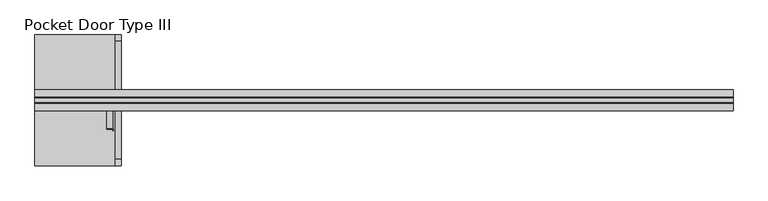
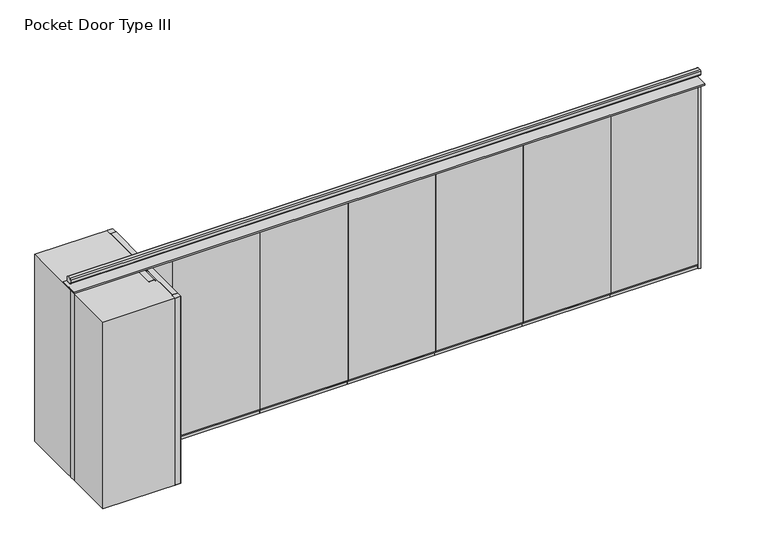
"""IFC4 building model written with IfcOpenShell, lengths in millimetres: proxy geometry, Pocket Door Type III."""

from ifc_helpers import new_model, si_unit, point, frame, frame_2d, origin, origin_with_axes, place, context, project, spatial, polyline, circle_curve, trimmed, segment, composite_curve, outline, extrude, source, transform, mapped, element, save


def pocket_door_type_iii_bab42562(model_context):
    return source(origin(), model_context, "Body", "SweptSolid", [
        extrude(outline(polyline([(19.05, 0.0), (-19.05, 0.0), (-19.05, 50.8), (-38.1, 50.8), (-38.1, 66.675), (38.1, 66.675), (38.1, 50.8), (19.05, 50.8), (19.05, 0.0)])), frame((4790.789264, 0.0, 0.0), z_axis=(1.0, 0.0, 0.0), x_axis=(0.0, 1.0, 0.0)), (0.0, 0.0, 1.0), 1207.4071429),
        extrude(outline(polyline([(5998.1964069, -38.1), (4790.789264, -38.1), (4790.789264, 38.1), (5998.1964069, 38.1), (5998.1964069, -38.1)])), frame((0.0, 0.0, 2679.7), z_axis=(0.0, 0.0, 1.0), x_axis=(1.0, 0.0, 0.0)), (0.0, 0.0, 1.0), 44.45),
        extrude(outline(polyline([(5997.8431881, 38.1), (5997.8431881, -38.1), (4791.043264, -38.1), (4791.043264, 38.1), (5997.8431881, 38.1)])), frame((0.0, 0.0, 66.675), z_axis=(0.0, 0.0, 1.0), x_axis=(1.0, 0.0, 0.0)), (0.0, 0.0, 1.0), 2613.025),
        extrude(outline(polyline([(19.05, 0.0), (-19.05, 0.0), (-19.05, 50.8), (-38.1, 50.8), (-38.1, 66.675), (38.1, 66.675), (38.1, 50.8), (19.05, 50.8), (19.05, 0.0)])), frame((3583.3821211, 0.0, 0.0), z_axis=(1.0, 0.0, 0.0), x_axis=(0.0, 1.0, 0.0)), (0.0, 0.0, 1.0), 1207.4071429),
        extrude(outline(polyline([(4790.789264, -38.1), (3583.3821211, -38.1), (3583.3821211, 38.1), (4790.789264, 38.1), (4790.789264, -38.1)])), frame((0.0, 0.0, 2679.7), z_axis=(0.0, 0.0, 1.0), x_axis=(1.0, 0.0, 0.0)), (0.0, 0.0, 1.0), 44.45),
        extrude(outline(polyline([(4790.4360452, 38.1), (4790.4360452, -38.1), (3583.6361211, -38.1), (3583.6361211, 38.1), (4790.4360452, 38.1)])), frame((0.0, 0.0, 66.675), z_axis=(0.0, 0.0, 1.0), x_axis=(1.0, 0.0, 0.0)), (0.0, 0.0, 1.0), 2613.025),
        extrude(outline(polyline([(19.05, 0.0), (-19.05, 0.0), (-19.05, 50.8), (-38.1, 50.8), (-38.1, 66.675), (38.1, 66.675), (38.1, 50.8), (19.05, 50.8), (19.05, 0.0)])), frame((2375.9749783, 0.0, 0.0), z_axis=(1.0, 0.0, 0.0), x_axis=(0.0, 1.0, 0.0)), (0.0, 0.0, 1.0), 1207.4071429),
        extrude(outline(polyline([(3583.3821211, -38.1), (2375.9749783, -38.1), (2375.9749783, 38.1), (3583.3821211, 38.1), (3583.3821211, -38.1)])), frame((0.0, 0.0, 2679.7), z_axis=(0.0, 0.0, 1.0), x_axis=(1.0, 0.0, 0.0)), (0.0, 0.0, 1.0), 44.45),
        extrude(outline(polyline([(3583.0289024, 38.1), (3583.0289024, -38.1), (2376.2289783, -38.1), (2376.2289783, 38.1), (3583.0289024, 38.1)])), frame((0.0, 0.0, 66.675), z_axis=(0.0, 0.0, 1.0), x_axis=(1.0, 0.0, 0.0)), (0.0, 0.0, 1.0), 2613.025),
        extrude(outline(polyline([(19.05, 0.0), (-19.05, 0.0), (-19.05, 50.8), (-38.1, 50.8), (-38.1, 66.675), (38.1, 66.675), (38.1, 50.8), (19.05, 50.8), (19.05, 0.0)])), frame((1168.5678354, 0.0, 0.0), z_axis=(1.0, 0.0, 0.0), x_axis=(0.0, 1.0, 0.0)), (0.0, 0.0, 1.0), 1207.4071429),
        extrude(outline(polyline([(2375.9749783, -38.1), (1168.5678354, -38.1), (1168.5678354, 38.1), (2375.9749783, 38.1), (2375.9749783, -38.1)])), frame((0.0, 0.0, 2679.7), z_axis=(0.0, 0.0, 1.0), x_axis=(1.0, 0.0, 0.0)), (0.0, 0.0, 1.0), 44.45),
        extrude(outline(polyline([(2375.6217595, 38.1), (2375.6217595, -38.1), (1168.8218354, -38.1), (1168.8218354, 38.1), (2375.6217595, 38.1)])), frame((0.0, 0.0, 66.675), z_axis=(0.0, 0.0, 1.0), x_axis=(1.0, 0.0, 0.0)), (0.0, 0.0, 1.0), 2613.025),
        extrude(outline(polyline([(19.05, 0.0), (-19.05, 0.0), (-19.05, 50.8), (-38.1, 50.8), (-38.1, 66.675), (38.1, 66.675), (38.1, 50.8), (19.05, 50.8), (19.05, 0.0)])), frame((-38.8393074, 0.0, 0.0), z_axis=(1.0, 0.0, 0.0), x_axis=(0.0, 1.0, 0.0)), (0.0, 0.0, 1.0), 1207.4071429),
        extrude(outline(polyline([(1168.5678354, -38.1), (-38.8393074, -38.1), (-38.8393074, 38.1), (1168.5678354, 38.1), (1168.5678354, -38.1)])), frame((0.0, 0.0, 2679.7), z_axis=(0.0, 0.0, 1.0), x_axis=(1.0, 0.0, 0.0)), (0.0, 0.0, 1.0), 44.45),
        extrude(outline(polyline([(1168.2146167, 38.1), (1168.2146167, -38.1), (-38.5853074, -38.1), (-38.5853074, 38.1), (1168.2146167, 38.1)])), frame((0.0, 0.0, 66.675), z_axis=(0.0, 0.0, 1.0), x_axis=(1.0, 0.0, 0.0)), (0.0, 0.0, 1.0), 2613.025),
        extrude(outline(polyline([(-1220.8464503, -120.65), (-1449.4464503, -120.65), (-1449.4464503, -44.45), (-1220.8464503, -44.45), (-1220.8464503, -120.65)])), origin_with_axes(), (0.0, 0.0, 1.0), 2724.15),
        extrude(outline(composite_curve([segment(polyline([(-376.2964503, 734.2667931), (-376.2964503, 129.3332069)]), True, "CONTINUOUS"), segment(trimmed(circle_curve(frame_2d((-378.6296571, 129.3332069)), 2.3332069), [point((-376.2964503, 129.3332069))], [point((-378.6296571, 127.0))], False, "CARTESIAN"), True, "CONTINUOUS"), segment(polyline([(-378.6296571, 127.0), (-450.1632434, 127.0)]), True, "CONTINUOUS"), segment(trimmed(circle_curve(frame_2d((-450.1632434, 129.3332069)), 2.3332069), [point((-450.1632434, 127.0))], [point((-452.4964503, 129.3332069))], False, "CARTESIAN"), True, "CONTINUOUS"), segment(polyline([(-452.4964503, 129.3332069), (-452.4964503, 734.2667931)]), True, "CONTINUOUS"), segment(trimmed(circle_curve(frame_2d((-450.1632434, 734.2667931)), 2.3332069), [point((-452.4964503, 734.2667931))], [point((-450.1632434, 736.6))], False, "CARTESIAN"), True, "CONTINUOUS"), segment(polyline([(-450.1632434, 736.6), (-378.6296571, 736.6)]), True, "CONTINUOUS"), segment(trimmed(circle_curve(frame_2d((-378.6296571, 734.2667931)), 2.3332069), [point((-378.6296571, 736.6))], [point((-376.2964503, 734.2667931))], False, "CARTESIAN"), True, "CONTINUOUS")], self_intersect=False)), origin_with_axes(), (0.0, 0.0, 1.0), 2724.15),
        extrude(outline(polyline([(-477.8964503, -358.775), (-554.0964503, -358.775), (-554.0964503, -355.6), (-474.7214503, -355.6), (-474.7214503, -382.5875), (-477.8964503, -382.5875), (-477.8964503, -358.775)])), origin_with_axes(), (0.0, 0.0, 1.0), 2724.15),
        extrude(outline(composite_curve([segment(polyline([(-554.0964503, -355.6), (-554.0964503, -129.3332069)]), True, "CONTINUOUS"), segment(trimmed(circle_curve(frame_2d((-551.7632434, -129.3332069)), 2.3332069), [point((-554.0964503, -129.3332069))], [point((-551.7632434, -127.0))], False, "CARTESIAN"), True, "CONTINUOUS"), segment(polyline([(-551.7632434, -127.0), (-480.2296571, -127.0)]), True, "CONTINUOUS"), segment(trimmed(circle_curve(frame_2d((-480.2296571, -129.3332069)), 2.3332069), [point((-480.2296571, -127.0))], [point((-477.8964503, -129.3332069))], False, "CARTESIAN"), True, "CONTINUOUS"), segment(polyline([(-477.8964503, -129.3332069), (-477.8964503, -353.2667931)]), True, "CONTINUOUS"), segment(trimmed(circle_curve(frame_2d((-480.2296571, -353.2667931)), 2.3332069), [point((-477.8964503, -353.2667931))], [point((-480.2296571, -355.6))], False, "CARTESIAN"), True, "CONTINUOUS"), segment(polyline([(-480.2296571, -355.6), (-554.0964503, -355.6)]), True, "CONTINUOUS")], self_intersect=False)), origin_with_axes(), (0.0, 0.0, 1.0), 2724.15),
        extrude(outline(polyline([(-376.2964503, 123.825), (-452.4964503, 123.825), (-452.4964503, 127.0), (-373.1214503, 127.0), (-373.1214503, 101.6), (-376.2964503, 101.6), (-376.2964503, 123.825)])), origin_with_axes(), (0.0, 0.0, 1.0), 2724.15),
        extrude(outline(composite_curve([segment(polyline([(-376.2964503, 810.4667931), (-376.2964503, 738.9332069)]), True, "CONTINUOUS"), segment(trimmed(circle_curve(frame_2d((-378.6296571, 738.9332069)), 2.3332069), [point((-376.2964503, 738.9332069))], [point((-378.6296571, 736.6))], False, "CARTESIAN"), True, "CONTINUOUS"), segment(polyline([(-378.6296571, 736.6), (-450.1632434, 736.6)]), True, "CONTINUOUS"), segment(trimmed(circle_curve(frame_2d((-450.1632434, 738.9332069)), 2.3332069), [point((-450.1632434, 736.6))], [point((-452.4964503, 738.9332069))], False, "CARTESIAN"), True, "CONTINUOUS"), segment(polyline([(-452.4964503, 738.9332069), (-452.4964503, 810.4667931)]), True, "CONTINUOUS"), segment(trimmed(circle_curve(frame_2d((-450.1632434, 810.4667931)), 2.3332069), [point((-452.4964503, 810.4667931))], [point((-450.1632434, 812.8))], False, "CARTESIAN"), True, "CONTINUOUS"), segment(polyline([(-450.1632434, 812.8), (-378.6296571, 812.8)]), True, "CONTINUOUS"), segment(trimmed(circle_curve(frame_2d((-378.6296571, 810.4667931)), 2.3332069), [point((-378.6296571, 812.8))], [point((-376.2964503, 810.4667931))], False, "CARTESIAN"), True, "CONTINUOUS")], self_intersect=False)), origin_with_axes(), (0.0, 0.0, 1.0), 2724.15),
        extrude(outline(composite_curve([segment(polyline([(-376.2964503, -738.9332069), (-376.2964503, -810.4667931)]), True, "CONTINUOUS"), segment(trimmed(circle_curve(frame_2d((-378.6296571, -810.4667931)), 2.3332069), [point((-376.2964503, -810.4667931))], [point((-378.6296571, -812.8))], False, "CARTESIAN"), True, "CONTINUOUS"), segment(polyline([(-378.6296571, -812.8), (-450.1632434, -812.8)]), True, "CONTINUOUS"), segment(trimmed(circle_curve(frame_2d((-450.1632434, -810.4667931)), 2.3332069), [point((-450.1632434, -812.8))], [point((-452.4964503, -810.4667931))], False, "CARTESIAN"), True, "CONTINUOUS"), segment(polyline([(-452.4964503, -810.4667931), (-452.4964503, -738.9332069)]), True, "CONTINUOUS"), segment(trimmed(circle_curve(frame_2d((-450.1632434, -738.9332069)), 2.3332069), [point((-452.4964503, -738.9332069))], [point((-450.1632434, -736.6))], False, "CARTESIAN"), True, "CONTINUOUS"), segment(polyline([(-450.1632434, -736.6), (-378.6296571, -736.6)]), True, "CONTINUOUS"), segment(trimmed(circle_curve(frame_2d((-378.6296571, -738.9332069)), 2.3332069), [point((-378.6296571, -736.6))], [point((-376.2964503, -738.9332069))], False, "CARTESIAN"), True, "CONTINUOUS")], self_intersect=False)), origin_with_axes(), (0.0, 0.0, 1.0), 2724.15),
        extrude(outline(composite_curve([segment(polyline([(-376.2964503, -129.3332069), (-376.2964503, -734.2667931)]), True, "CONTINUOUS"), segment(trimmed(circle_curve(frame_2d((-378.6296571, -734.2667931)), 2.3332069), [point((-376.2964503, -734.2667931))], [point((-378.6296571, -736.6))], False, "CARTESIAN"), True, "CONTINUOUS"), segment(polyline([(-378.6296571, -736.6), (-450.1632434, -736.6)]), True, "CONTINUOUS"), segment(trimmed(circle_curve(frame_2d((-450.1632434, -734.2667931)), 2.3332069), [point((-450.1632434, -736.6))], [point((-452.4964503, -734.2667931))], False, "CARTESIAN"), True, "CONTINUOUS"), segment(polyline([(-452.4964503, -734.2667931), (-452.4964503, -129.3332069)]), True, "CONTINUOUS"), segment(trimmed(circle_curve(frame_2d((-450.1632434, -129.3332069)), 2.3332069), [point((-452.4964503, -129.3332069))], [point((-450.1632434, -127.0))], False, "CARTESIAN"), True, "CONTINUOUS"), segment(polyline([(-450.1632434, -127.0), (-378.6296571, -127.0)]), True, "CONTINUOUS"), segment(trimmed(circle_curve(frame_2d((-378.6296571, -129.3332069)), 2.3332069), [point((-378.6296571, -127.0))], [point((-376.2964503, -129.3332069))], False, "CARTESIAN"), True, "CONTINUOUS")], self_intersect=False)), origin_with_axes(), (0.0, 0.0, 1.0), 2724.15),
        extrude(outline(polyline([(7237.3535497, -38.1), (7205.6035497, -38.1), (7205.6035497, 38.1), (7237.3535497, 38.1), (7237.3535497, -38.1)])), origin_with_axes(), (0.0, 0.0, 1.0), 2724.15),
        extrude(outline(polyline([(19.05, 0.0), (-19.05, 0.0), (-19.05, 50.8), (-38.1, 50.8), (-38.1, 66.675), (38.1, 66.675), (38.1, 50.8), (19.05, 50.8), (19.05, 0.0)])), frame((5998.1964069, 0.0, 0.0), z_axis=(1.0, 0.0, 0.0), x_axis=(0.0, 1.0, 0.0)), (0.0, 0.0, 1.0), 1207.4071429),
        extrude(outline(polyline([(7205.6035497, -38.1), (5998.1964069, -38.1), (5998.1964069, 38.1), (7205.6035497, 38.1), (7205.6035497, -38.1)])), frame((0.0, 0.0, 2679.7), z_axis=(0.0, 0.0, 1.0), x_axis=(1.0, 0.0, 0.0)), (0.0, 0.0, 1.0), 44.45),
        extrude(outline(polyline([(7205.250331, 38.1), (7205.250331, -38.1), (5998.4504069, -38.1), (5998.4504069, 38.1), (7205.250331, 38.1)])), frame((0.0, 0.0, 66.675), z_axis=(0.0, 0.0, 1.0), x_axis=(1.0, 0.0, 0.0)), (0.0, 0.0, 1.0), 2613.025),
        extrude(outline(polyline([(19.05, 0.0), (-19.05, 0.0), (-19.05, 50.8), (-38.1, 50.8), (-38.1, 66.675), (38.1, 66.675), (38.1, 50.8), (19.05, 50.8), (19.05, 0.0)])), frame((-1246.2464503, 0.0, 0.0), z_axis=(1.0, 0.0, 0.0), x_axis=(0.0, 1.0, 0.0)), (0.0, 0.0, 1.0), 1207.4071429),
        extrude(outline(polyline([(-38.8393074, -38.1), (-1246.2464503, -38.1), (-1246.2464503, 38.1), (-38.8393074, 38.1), (-38.8393074, -38.1)])), frame((0.0, 0.0, 2679.7), z_axis=(0.0, 0.0, 1.0), x_axis=(1.0, 0.0, 0.0)), (0.0, 0.0, 1.0), 44.45),
        extrude(outline(polyline([(-39.1925262, 38.1), (-39.1925262, -38.1), (-1245.9924503, -38.1), (-1245.9924503, 38.1), (-39.1925262, 38.1)])), frame((0.0, 0.0, 66.675), z_axis=(0.0, 0.0, 1.0), x_axis=(1.0, 0.0, 0.0)), (0.0, 0.0, 1.0), 2613.025),
        extrude(outline(polyline([(-376.2964503, 812.8), (-376.2964503, -812.8), (-1449.4464503, -812.8), (-1449.4464503, 812.8), (-376.2964503, 812.8)])), origin_with_axes(), (0.0, 0.0, 1.0), 2724.15),
        extrude(outline(polyline([(7237.3535497, -130.175), (-1449.4464503, -130.175), (-1449.4464503, 130.175), (7237.3535497, 130.175), (7237.3535497, -130.175)])), frame((0.0, 0.0, 2724.15), z_axis=(0.0, 0.0, 1.0), x_axis=(1.0, 0.0, 0.0)), (0.0, 0.0, 1.0), 19.05),
        extrude(outline(composite_curve([segment(trimmed(circle_curve(frame_2d((22.225, 2867.025)), 15.875), [point((22.225, 2882.9))], [point((38.1, 2867.025))], False, "CARTESIAN"), True, "CONTINUOUS"), segment(polyline([(38.1, 2867.025), (38.1, 2822.575)]), True, "CONTINUOUS"), segment(trimmed(circle_curve(frame_2d((22.225, 2822.575)), 15.875), [point((38.1, 2822.575))], [point((22.225, 2806.7))], False, "CARTESIAN"), True, "CONTINUOUS"), segment(polyline([(22.225, 2806.7), (-22.225, 2806.7)]), True, "CONTINUOUS"), segment(trimmed(circle_curve(frame_2d((-22.225, 2822.575)), 15.875), [point((-22.225, 2806.7))], [point((-38.1, 2822.575))], False, "CARTESIAN"), True, "CONTINUOUS"), segment(polyline([(-38.1, 2822.575), (-38.1, 2867.025)]), True, "CONTINUOUS"), segment(trimmed(circle_curve(frame_2d((-22.225, 2867.025)), 15.875), [point((-38.1, 2867.025))], [point((-22.225, 2882.9))], False, "CARTESIAN"), True, "CONTINUOUS"), segment(polyline([(-22.225, 2882.9), (22.225, 2882.9)]), True, "CONTINUOUS")], self_intersect=False)), frame((-1449.4464503, 0.0, 0.0), z_axis=(1.0, 0.0, 0.0), x_axis=(0.0, 1.0, 0.0)), (0.0, 0.0, 1.0), 8686.8),
    ])


if __name__ == "__main__":
    model = new_model("IFC4")
    model_context = context("Model", 3, world=origin())
    ifc_project = project(units=[si_unit("LENGTHUNIT", "METRE", prefix="MILLI")], contexts=[model_context])
    site = spatial("IfcSite", under=ifc_project)
    building = spatial("IfcBuilding", under=site)
    placement = place(None, origin())
    pocket_door_type_iii_shape = pocket_door_type_iii_bab42562(model_context)
    element("IfcBuildingElementProxy", 1, Name="Pocket Door Type III", ObjectType="Pocket Door Type III", at=placement, inside=building, context=model_context, shape_type="MappedRepresentation", body=[
        mapped(pocket_door_type_iii_shape, transform((0.0, 0.0, 0.0), x_axis=(1.0, 0.0, 0.0), y_axis=(0.0, 1.0, 0.0), z_axis=(0.0, 0.0, 1.0))),
    ])
    save(model, "model.ifc")
